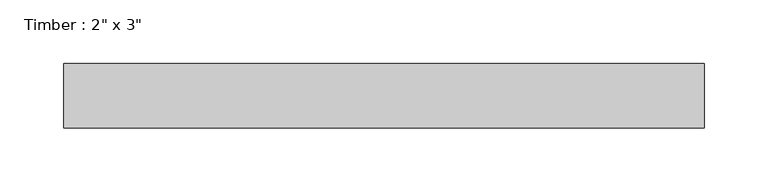
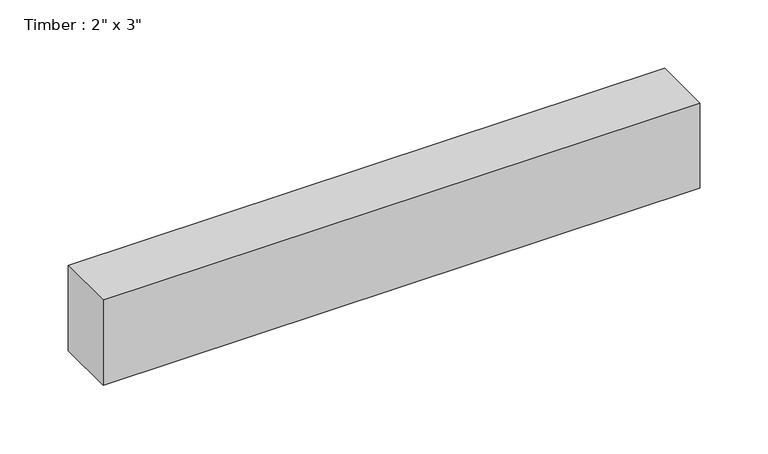
"""IFC4 building model written with IfcOpenShell, lengths in millimetres: beam geometry."""

from ifc_helpers import new_model, si_unit, frame, origin, place, context, project, spatial, polyline, outline, extrude, source, transform, mapped, element, save


def beam_9e1791ac(model_context):
    return source(origin(), model_context, "Body", "SweptSolid", [
        extrude(outline(polyline([(251.4019966, 25.4), (251.4019966, -25.4), (-251.4019966, -25.4), (-251.4019966, 25.4), (251.4019966, 25.4)])), frame((0.0, 0.0, -38.1), z_axis=(0.0, 0.0, 1.0), x_axis=(1.0, 0.0, 0.0)), (0.0, 0.0, 1.0), 76.2),
    ])


if __name__ == "__main__":
    model = new_model("IFC4")
    model_context = context("Model", 3, world=origin())
    ifc_project = project(units=[si_unit("LENGTHUNIT", "METRE", prefix="MILLI")], contexts=[model_context])
    site = spatial("IfcSite", under=ifc_project)
    building = spatial("IfcBuilding", under=site)
    placement = place(None, origin())
    beam_shape = beam_9e1791ac(model_context)
    element("IfcBeam", 1, ObjectType="Timber : 2\" x 3\"", at=placement, inside=building, context=model_context, shape_type="MappedRepresentation", body=[
        mapped(beam_shape, transform((0.0, 0.0, 0.0), x_axis=(1.0, 0.0, 0.0), y_axis=(0.0, 1.0, 0.0), z_axis=(0.0, 0.0, 1.0))),
    ])
    save(model, "model.ifc")
